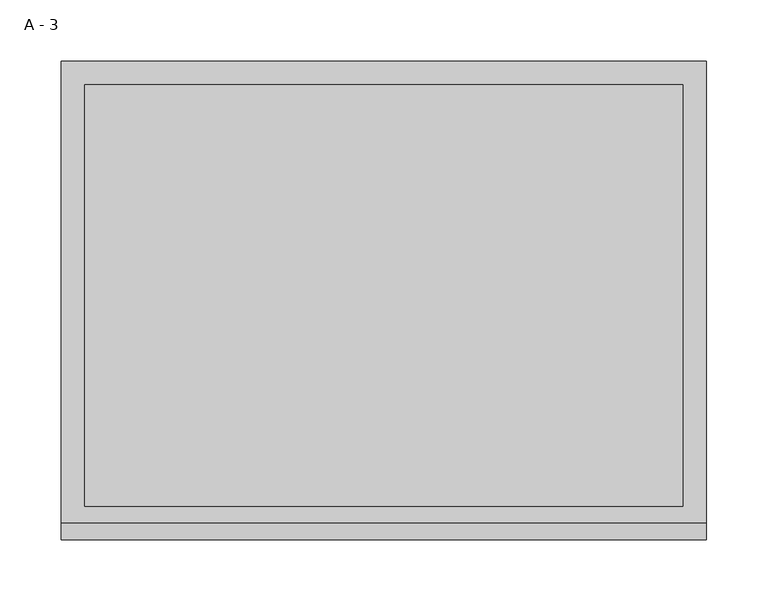
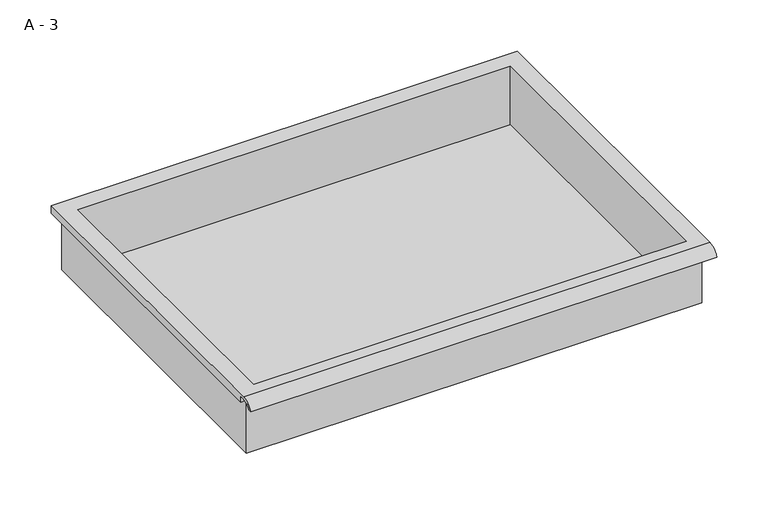
"""IFC4 building model written with IfcOpenShell, lengths in millimetres: furniture geometry, A - 3."""

from ifc_helpers import new_model, si_unit, frame, origin, place, context, project, spatial, polyline, circle_curve, source, transform, mapped, element, save
from ifc_brep_helpers import plane_surface, cylinder_surface, revolved_surface, advanced_brep


def a_3_f20881f5(model_context):
    return source(origin(), model_context, "Body", "AdvancedBrep", [
        advanced_brep(
        [(-257.1076517, -176.2125, 789.178), (257.2423483, -176.2125, 789.178), (257.2423483, -176.2125, 852.678), (263.5923483, -176.2125, 852.678), (263.5923483, -176.2125, 858.9851341), (-263.4576517, -176.2125, 858.9851341), (-263.4576517, -176.2125, 852.678), (-257.1076517, -176.2125, 852.678), (257.2423483, 185.7375, 789.178), (-257.1076517, 185.7375, 789.178), (-257.1076517, 185.7375, 852.678), (257.2423483, 185.7375, 852.678), (263.5923483, -181.6070544, 862.203), (263.5923483, 195.2625, 862.203), (-263.4576517, 195.2625, 862.203), (-263.4576517, -181.6070544, 862.203), (244.5423483, -168.275, 862.203), (-244.4076517, -168.275, 862.203), (-244.4076517, 176.2125, 862.203), (244.5423483, 176.2125, 862.203), (263.5923483, -195.2625, 852.678), (263.5923483, -191.8280601, 852.678), (263.5923483, -180.4714815, 858.9851341), (263.5923483, 195.2625, 852.678), (-263.4576517, 195.2625, 852.678), (-263.4576517, -180.4714815, 858.9851341), (-263.4576517, -191.8280601, 852.678), (-263.4576517, -195.2625, 852.678), (-244.4076517, -168.275, 792.2041719), (244.5423483, -168.275, 792.2041719), (244.5423483, 176.2125, 792.2041719), (-244.4076517, 176.2125, 792.2041719)],
        [
            (0, 1),
            (1, 2),
            (2, 3),
            (3, 4),
            (4, 5),
            (5, 6),
            (6, 7),
            (7, 0),
            (8, 9),
            (9, 10),
            (10, 11),
            (11, 8),
            (0, 9),
            (8, 1),
            (11, 2),
            (12, 13),
            (13, 14),
            (14, 15),
            (15, 12),
            (16, 17),
            (17, 18),
            (18, 19),
            (19, 16),
            (7, 10),
            (12, 20, circle_curve(frame((263.5923483, -181.6070544, 847.6519859), z_axis=(1.0, 0.0, 0.0), x_axis=(0.0, 1.0, 0.0)), 14.5510141)),
            (20, 21),
            (21, 22, circle_curve(frame((263.5923483, -181.6070544, 847.6519859), z_axis=(-1.0, 0.0, 0.0), x_axis=(0.0, 1.0, 0.0)), 11.3898979)),
            (22, 4),
            (3, 23),
            (23, 13),
            (14, 24),
            (24, 6),
            (5, 25),
            (25, 26, circle_curve(frame((-263.4576517, -181.6070544, 847.6519859), z_axis=(1.0, 0.0, 0.0), x_axis=(0.0, 1.0, 0.0)), 11.3898979)),
            (26, 27),
            (27, 15, circle_curve(frame((-263.4576517, -181.6070544, 847.6519859), z_axis=(-1.0, 0.0, 0.0), x_axis=(0.0, 1.0, 0.0)), 14.5510141)),
            (27, 20),
            (26, 21),
            (25, 22),
            (24, 23),
            (28, 29),
            (29, 30),
            (30, 31),
            (31, 28),
            (28, 17),
            (16, 29),
            (19, 30),
            (18, 31),
        ],
        [
            plane_surface(frame((257.2423483, -176.2125, 789.178), z_axis=(0.0, -1.0, 0.0), x_axis=(1.0, 0.0, 0.0))),
            plane_surface(frame((257.2423483, 185.7375, 789.178), z_axis=(0.0, 1.0, 0.0), x_axis=(-1.0, 0.0, 0.0))),
            plane_surface(frame((-257.1076517, -176.2125, 789.178), z_axis=(0.0, 0.0, -1.0), x_axis=(0.0, 1.0, 0.0))),
            plane_surface(frame((257.2423483, -176.2125, 789.178), z_axis=(1.0, 0.0, 0.0), x_axis=(0.0, 1.0, 0.0))),
            plane_surface(frame((257.2423483, -176.2125, 862.203), z_axis=(0.0, 0.0, 1.0), x_axis=(0.0, 1.0, 0.0))),
            plane_surface(frame((-257.1076517, -176.2125, 862.203), z_axis=(-1.0, 0.0, 0.0), x_axis=(0.0, 1.0, 0.0))),
            plane_surface(frame((263.5923483, 195.2625, 862.203), z_axis=(1.0, 0.0, 0.0), x_axis=(0.0, -1.0, 0.0))),
            plane_surface(frame((-263.4576517, 195.2625, 862.203), z_axis=(-1.0, 0.0, 0.0), x_axis=(0.0, 1.0, 0.0))),
            cylinder_surface(frame((-263.4576517, -181.6070544, 847.6519859), z_axis=(1.0, 0.0, 0.0), x_axis=(0.0, 1.0, 0.0)), 14.5510141),
            plane_surface(frame((263.5923483, -195.2625, 852.678), z_axis=(0.0, -7.330645323407505e-12, -1.0), x_axis=(-1.0, 0.0, 0.0))),
            revolved_surface(polyline([(-263.4576517, -170.21715650000002, 847.6519859), (263.59234829999997, -170.21715650000002, 847.6519859)]), (-263.4576517, -181.6070544, 847.6519859), (-1.0, 0.0, 0.0)),
            plane_surface(frame((263.5923483, -180.4714815, 858.9851341), z_axis=(0.0, -1.808388334576073e-11, -1.0), x_axis=(-1.0, 0.0, 0.0))),
            plane_surface(frame((263.5923483, -176.2125, 852.678), z_axis=(0.0, 0.0, -1.0), x_axis=(-1.0, 0.0, 0.0))),
            plane_surface(frame((263.5923483, 195.2625, 852.678), z_axis=(0.0, 1.0, 0.0), x_axis=(-1.0, 0.0, 0.0))),
            plane_surface(frame((244.5423483, -168.275, 792.2041719), z_axis=(0.0, 0.0, 1.0), x_axis=(-1.0, 0.0, 0.0))),
            plane_surface(frame((-244.4076517, -168.275, 862.203), z_axis=(0.0, 1.0, 0.0), x_axis=(0.0, 0.0, -1.0))),
            plane_surface(frame((244.5423483, -168.275, 862.203), z_axis=(-1.0, 0.0, 0.0), x_axis=(0.0, 0.0, -1.0))),
            plane_surface(frame((244.5423483, 176.2125, 862.203), z_axis=(0.0, -1.0, 0.0), x_axis=(0.0, 0.0, -1.0))),
            plane_surface(frame((-244.4076517, 176.2125, 862.203), z_axis=(1.0, 0.0, 0.0), x_axis=(0.0, 0.0, -1.0))),
        ],
        [
            (0, [[1, 2, 3, 4, 5, 6, 7, 8]]),
            (1, [[9, 10, 11, 12]]),
            (2, [[-1, 13, -9, 14]]),
            (3, [[-14, -12, 15, -2]]),
            (4, [[16, 17, 18, 19], [20, 21, 22, 23]]),
            (5, [[-13, -8, 24, -10]]),
            (6, [[-16, 25, 26, 27, 28, -4, 29, 30]]),
            (7, [[31, 32, -6, 33, 34, 35, 36, -18]]),
            (8, [[-25, -19, -36, 37]]),
            (9, [[-26, -37, -35, 38]]),
            (10, [[-27, -38, -34, 39]]),
            (11, [[-28, -39, -33, -5]]),
            (12, [[-29, -3, -15, -11, -24, -7, -32, 40]]),
            (13, [[-30, -40, -31, -17]]),
            (14, [[41, 42, 43, 44]]),
            (15, [[-41, 45, -20, 46]]),
            (16, [[-42, -46, -23, 47]]),
            (17, [[-43, -47, -22, 48]]),
            (18, [[-44, -48, -21, -45]]),
        ],
    ),
    ])


if __name__ == "__main__":
    model = new_model("IFC4")
    model_context = context("Model", 3, world=origin())
    ifc_project = project(units=[si_unit("LENGTHUNIT", "METRE", prefix="MILLI")], contexts=[model_context])
    site = spatial("IfcSite", under=ifc_project)
    building = spatial("IfcBuilding", under=site)
    placement = place(None, origin())
    a_3_shape = a_3_f20881f5(model_context)
    element("IfcFurniture", 1, ObjectType="A - 3", at=placement, inside=building, context=model_context, shape_type="MappedRepresentation", body=[
        mapped(a_3_shape, transform((0.0, 0.0, 0.0), x_axis=(1.0, 0.0, 0.0), y_axis=(0.0, 1.0, 0.0), z_axis=(0.0, 0.0, 1.0))),
    ])
    save(model, "model.ifc")
